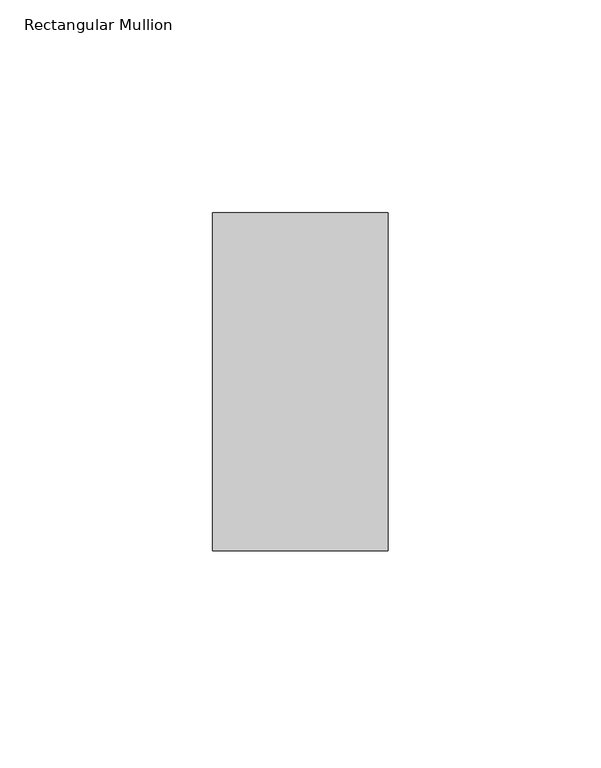
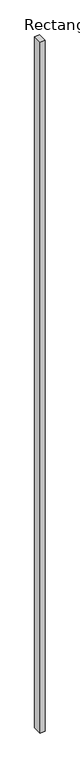
"""IFC4 building model written with IfcOpenShell, lengths in millimetres: member geometry, Rectangular Mullion."""

from ifc_helpers import new_model, si_unit, frame, origin, place, context, project, spatial, polyline, outline, extrude, source, transform, mapped, element, save


def rectangular_mullion_44ad7142(model_context):
    return source(origin(), model_context, "Body", "SweptSolid", [
        extrude(outline(polyline([(20.6375, 44.45), (20.6375, -34.925), (-20.6375, -34.925), (-20.6375, 44.45), (20.6375, 44.45)])), frame((0.0, 0.0, -6096.0), z_axis=(0.0, 0.0, 1.0), x_axis=(1.0, 0.0, 0.0)), (0.0, 0.0, 1.0), 6096.0),
    ])


if __name__ == "__main__":
    model = new_model("IFC4")
    model_context = context("Model", 3, world=origin())
    ifc_project = project(units=[si_unit("LENGTHUNIT", "METRE", prefix="MILLI")], contexts=[model_context])
    site = spatial("IfcSite", under=ifc_project)
    building = spatial("IfcBuilding", under=site)
    placement = place(None, origin())
    rectangular_mullion_shape = rectangular_mullion_44ad7142(model_context)
    element("IfcMember", 1, ObjectType="Rectangular Mullion", at=placement, inside=building, context=model_context, shape_type="MappedRepresentation", body=[
        mapped(rectangular_mullion_shape, transform((0.0, 0.0, 0.0), x_axis=(1.0, 0.0, 0.0), y_axis=(0.0, 1.0, 0.0), z_axis=(0.0, 0.0, 1.0))),
    ])
    save(model, "model.ifc")
